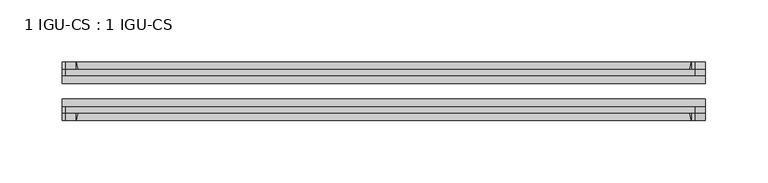
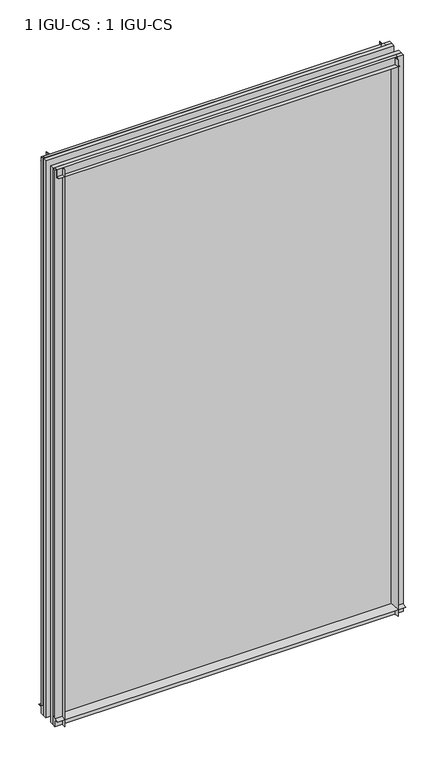
"""IFC4 building model written with IfcOpenShell, lengths in millimetres: plate geometry, 1 IGU-CS : 1 IGU-CS."""

from ifc_helpers import new_model, si_unit, point, frame, frame_2d, origin, place, context, project, spatial, polyline, circle_curve, trimmed, segment, composite_curve, outline, extrude, source, transform, mapped, element, save


def plate_1_igu_cs_1_igu_cs_d97c9a54(model_context):
    return source(origin(), model_context, "Body", "SweptSolid", [
        extrude(outline(composite_curve([segment(trimmed(circle_curve(frame_2d((-28.0741797, 32.2797688)), 32.7673262), [point((-44.45, 3.8979053))], [point((-33.7058, 1.48e-05))], True, "CARTESIAN"), True, "CONTINUOUS"), segment(polyline([(-33.7058, 1.48e-05), (-39.6748, 1.48e-05), (-39.6748, -10.31875), (-44.45, -10.31875), (-44.45, 3.8979053)]), True, "CONTINUOUS")], self_intersect=False)), frame((-258.2333333, 0.0, 0.0), z_axis=(1.0, 0.0, 0.0), x_axis=(0.0, 1.0, 0.0)), (0.0, 0.0, 1.0), 516.4666667),
        extrude(outline(composite_curve([segment(trimmed(circle_curve(frame_2d((-86.2258203, 32.2797602)), 32.7673262), [point((-80.5942354, 0.0))], [point((-69.85, 3.8978967))], True, "CARTESIAN"), True, "CONTINUOUS"), segment(polyline([(-69.85, 3.8978967), (-69.85, -10.31875), (-74.6252, -10.31875), (-74.6252, 0.0), (-80.5942354, 0.0)]), True, "CONTINUOUS")], self_intersect=False)), frame((-258.2333333, 0.0, 0.0), z_axis=(1.0, 0.0, 0.0), x_axis=(0.0, 1.0, 0.0)), (0.0, 0.0, 1.0), 516.4666667),
        extrude(outline(composite_curve([segment(polyline([(-80.5942, 850.9), (-74.6252, 850.9), (-74.6252, 862.0125), (-69.85, 862.0125), (-69.85, 847.0021095)]), True, "CONTINUOUS"), segment(trimmed(circle_curve(frame_2d((-86.2258203, 818.620246)), 32.7673262), [point((-69.85, 847.0021095))], [point((-80.5942, 850.9))], True, "CARTESIAN"), True, "CONTINUOUS")], self_intersect=False)), frame((-255.633572, 0.0, 0.0), z_axis=(1.0, 0.0, 0.0), x_axis=(0.0, 1.0, 0.0)), (0.0, 0.0, 1.0), 505.3003668),
        extrude(outline(composite_curve([segment(polyline([(-39.6748, 862.0125), (-39.6748, 850.9), (-33.7058, 850.9)]), True, "CONTINUOUS"), segment(trimmed(circle_curve(frame_2d((-28.0741797, 818.620246)), 32.7673262), [point((-33.7058, 850.9))], [point((-44.45, 847.0021095))], True, "CARTESIAN"), True, "CONTINUOUS"), segment(polyline([(-44.45, 847.0021095), (-44.45, 862.0125), (-39.6748, 862.0125)]), True, "CONTINUOUS")], self_intersect=False)), frame((-255.633572, 0.0, 0.0), z_axis=(1.0, 0.0, 0.0), x_axis=(0.0, 1.0, 0.0)), (0.0, 0.0, 1.0), 505.3003668),
        extrude(outline(composite_curve([segment(polyline([(258.2333333, -39.6748), (258.2333333, -44.45), (243.2229428, -44.45)]), True, "CONTINUOUS"), segment(trimmed(circle_curve(frame_2d((214.8410794, -28.0741797)), 32.7673262), [point((243.2229428, -44.45))], [point((247.1208333, -33.7058))], True, "CARTESIAN"), True, "CONTINUOUS"), segment(polyline([(247.1208333, -33.7058), (247.1208333, -39.6748), (258.2333333, -39.6748)]), True, "CONTINUOUS")], self_intersect=False)), frame((0.0, 0.0, -10.31875), z_axis=(0.0, 0.0, 1.0), x_axis=(1.0, 0.0, 0.0)), (0.0, 0.0, 1.0), 872.33125),
        extrude(outline(composite_curve([segment(polyline([(258.2333333, -69.85), (258.2333333, -74.6252), (247.1208333, -74.6252), (247.1208333, -80.5942)]), True, "CONTINUOUS"), segment(trimmed(circle_curve(frame_2d((214.8410794, -86.2258203)), 32.7673262), [point((247.1208333, -80.5942))], [point((243.2229428, -69.85))], True, "CARTESIAN"), True, "CONTINUOUS"), segment(polyline([(243.2229428, -69.85), (258.2333333, -69.85)]), True, "CONTINUOUS")], self_intersect=False)), frame((0.0, 0.0, -10.31875), z_axis=(0.0, 0.0, 1.0), x_axis=(1.0, 0.0, 0.0)), (0.0, 0.0, 1.0), 872.33125),
        extrude(outline(composite_curve([segment(polyline([(-258.2333333, -39.6748), (-247.1208333, -39.6748), (-247.1208333, -33.7058)]), True, "CONTINUOUS"), segment(trimmed(circle_curve(frame_2d((-214.8410794, -28.0741797)), 32.7673262), [point((-247.1208333, -33.7058))], [point((-243.2229428, -44.45))], True, "CARTESIAN"), True, "CONTINUOUS"), segment(polyline([(-243.2229428, -44.45), (-258.2333333, -44.45), (-258.2333333, -39.6748)]), True, "CONTINUOUS")], self_intersect=False)), frame((0.0, 0.0, -10.31875), z_axis=(0.0, 0.0, 1.0), x_axis=(1.0, 0.0, 0.0)), (0.0, 0.0, 1.0), 872.33125),
        extrude(outline(composite_curve([segment(polyline([(-258.2333333, -74.6252), (-258.2333333, -69.85), (-243.2229428, -69.85)]), True, "CONTINUOUS"), segment(trimmed(circle_curve(frame_2d((-214.8410794, -86.2258203)), 32.7673262), [point((-243.2229428, -69.85))], [point((-247.1208333, -80.5942))], True, "CARTESIAN"), True, "CONTINUOUS"), segment(polyline([(-247.1208333, -80.5942), (-247.1208333, -74.6252), (-258.2333333, -74.6252)]), True, "CONTINUOUS")], self_intersect=False)), frame((0.0, 0.0, -10.31875), z_axis=(0.0, 0.0, 1.0), x_axis=(1.0, 0.0, 0.0)), (0.0, 0.0, 1.0), 872.33125),
        extrude(outline(polyline([(-258.2333333, -69.85), (-258.2333333, -63.5508), (258.2333333, -63.5508), (258.2333333, -69.85), (-258.2333333, -69.85)])), frame((0.0, 0.0, -10.31875), z_axis=(0.0, 0.0, 1.0), x_axis=(1.0, 0.0, 0.0)), (0.0, 0.0, 1.0), 872.33125),
        extrude(outline(polyline([(258.2333333, -50.7492), (-258.2333333, -50.7492), (-258.2333333, -44.45), (258.2333333, -44.45), (258.2333333, -50.7492)])), frame((0.0, 0.0, -10.31875), z_axis=(0.0, 0.0, 1.0), x_axis=(1.0, 0.0, 0.0)), (0.0, 0.0, 1.0), 872.33125),
    ])


if __name__ == "__main__":
    model = new_model("IFC4")
    model_context = context("Model", 3, world=origin())
    ifc_project = project(units=[si_unit("LENGTHUNIT", "METRE", prefix="MILLI")], contexts=[model_context])
    site = spatial("IfcSite", under=ifc_project)
    building = spatial("IfcBuilding", under=site)
    placement = place(None, origin())
    plate_1_igu_cs_1_igu_cs_shape = plate_1_igu_cs_1_igu_cs_d97c9a54(model_context)
    element("IfcPlate", 1, ObjectType="1 IGU-CS : 1 IGU-CS", at=placement, inside=building, context=model_context, shape_type="MappedRepresentation", body=[
        mapped(plate_1_igu_cs_1_igu_cs_shape, transform((0.0, 0.0, 0.0), x_axis=(1.0, 0.0, 0.0), y_axis=(0.0, 1.0, 0.0), z_axis=(0.0, 0.0, 1.0))),
    ])
    save(model, "model.ifc")
